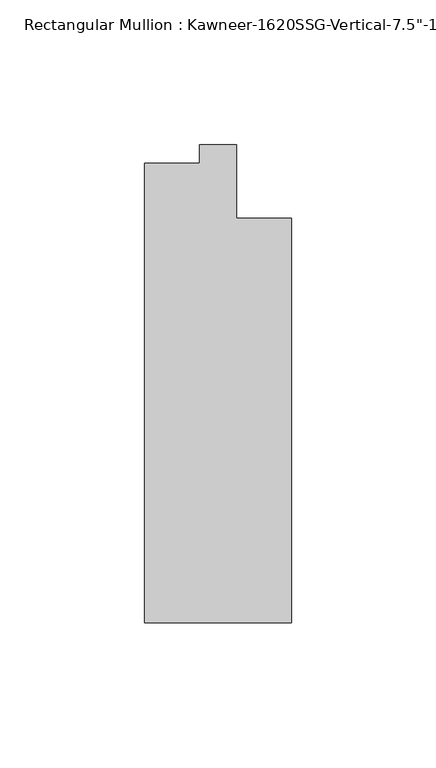
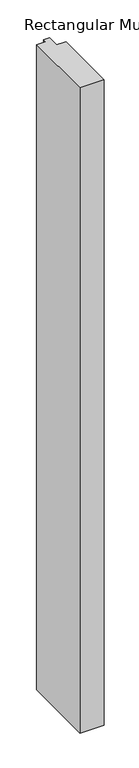
"""IFC4 building model written with IfcOpenShell, lengths in millimetres: member geometry."""

import ifcopenshell
import ifcopenshell.guid

model = None  # the IFC model being written
_history = None  # IfcOwnerHistory: only IFC2X3 demands one
_inside = {}  # id of a spatial element -> (the spatial element, [elements in it])
_under = {}  # id of a project, library or spatial element -> (it, [spatial elements below it])
_declared = {}  # id of a project -> (the project, [libraries it declares])
_typed = {}  # id of a type object -> (the type object, [elements of that type])
_made_of = {}  # id of a material, layer set ... -> (it, [elements and type objects made of it])


def new_model(schema):
    """Start an empty IFC model of exactly this schema.

    Asked for "IFC4X3", IfcOpenShell would pick the latest addendum, in which some entities
    have other attributes; the version numbers below select the first issue.
    IFC2X3 requires an IfcOwnerHistory on every rooted entity: one is made here for all.
    """
    global model, _history
    if schema == "IFC4X3":
        model = ifcopenshell.file(schema_version=(4, 3, 0, 0))
    else:
        model = ifcopenshell.file(schema=schema)
    _inside.clear()
    _under.clear()
    _declared.clear()
    _typed.clear()
    _made_of.clear()
    _history = None
    if model.schema == "IFC2X3":
        org = make("IfcOrganization", Name="unknown")
        user = make(
            "IfcPersonAndOrganization",
            ThePerson=make("IfcPerson", FamilyName="unknown"),
            TheOrganization=org,
        )
        app = make(
            "IfcApplication",
            ApplicationDeveloper=org,
            Version="unknown",
            ApplicationFullName="unknown",
            ApplicationIdentifier="unknown",
        )
        _history = make(
            "IfcOwnerHistory",
            OwningUser=user,
            OwningApplication=app,
            ChangeAction="ADDED",
            CreationDate=0,
        )
    return model


def make(cls, **values):
    """One entity of the class cls with the attributes given. An attribute that is None is left unset."""
    return model.create_entity(
        cls, **{name: value for name, value in values.items() if value is not None}
    )


def rooted(cls, **values):
    """An entity with a GlobalId (a new one), such as an element, a storey or a relation."""
    return make(cls, GlobalId=ifcopenshell.guid.new(), OwnerHistory=_history, **values)


def si_unit(unit_type, name, prefix=None):
    """IfcSIUnit, for example si_unit("LENGTHUNIT", "METRE", prefix="MILLI")."""
    return make("IfcSIUnit", UnitType=unit_type, Prefix=prefix, Name=name)


def assignment(units):
    """IfcUnitAssignment: the units of a project."""
    return None if units is None else make("IfcUnitAssignment", Units=units)


def point(xyz):
    """IfcCartesianPoint."""
    return None if xyz is None else make("IfcCartesianPoint", Coordinates=xyz)


def direction(xyz):
    """IfcDirection."""
    return None if xyz is None else make("IfcDirection", DirectionRatios=xyz)


def frame(location, z_axis=None, x_axis=None):
    """IfcAxis2Placement3D, a coordinate frame: its origin and axes. An axis left out is left unset."""
    return make(
        "IfcAxis2Placement3D",
        Location=point(location),
        Axis=direction(z_axis),
        RefDirection=direction(x_axis),
    )


def origin():
    """The frame at (0, 0, 0) with its axes left unset."""
    return frame((0.0, 0.0, 0.0))


def place(relative_to, where):
    """IfcLocalPlacement: puts the frame where relative to a parent placement (None: the world)."""
    return make(
        "IfcLocalPlacement", PlacementRelTo=relative_to, RelativePlacement=where
    )


def context(
    kind, dimensions, precision=None, world=None, true_north=None, identifier=None
):
    """IfcGeometricRepresentationContext, for example the 3D "Model" context."""
    return make(
        "IfcGeometricRepresentationContext",
        ContextIdentifier=identifier,
        ContextType=kind,
        CoordinateSpaceDimension=dimensions,
        Precision=precision,
        WorldCoordinateSystem=world,
        TrueNorth=true_north,
    )


def project(units=None, contexts=None):
    """IfcProject with its units and contexts."""
    return rooted(
        "IfcProject",
        Name="project",
        RepresentationContexts=contexts,
        UnitsInContext=assignment(units),
    )


def spatial(cls, under=None, at=None, **own):
    """A site, building, storey or space (cls), placed at a placement, below another one or the project."""
    s = rooted(cls, ObjectPlacement=at, **own)
    if under is not None:
        _under.setdefault(under.id(), (under, []))[1].append(s)
    return s


def polyline(points):
    """IfcPolyline through the points."""
    return make("IfcPolyline", Points=[point(p) for p in points])


def outline(outer, holes=None, kind="AREA"):
    """IfcArbitraryClosedProfileDef: a profile drawn as a closed curve; with holes, ...WithVoids."""
    if holes is None:
        return make("IfcArbitraryClosedProfileDef", ProfileType=kind, OuterCurve=outer)
    return make(
        "IfcArbitraryProfileDefWithVoids",
        ProfileType=kind,
        OuterCurve=outer,
        InnerCurves=holes,
    )


def extrude(swept, where, along, depth):
    """IfcExtrudedAreaSolid: the profile swept, set in the frame where, extruded along a direction by depth."""
    return make(
        "IfcExtrudedAreaSolid",
        SweptArea=swept,
        Position=where,
        ExtrudedDirection=direction(along),
        Depth=depth,
    )


def shape(context_of_items, identifier, shape_type, items):
    """IfcShapeRepresentation: the items that make up one representation, for example the "Body"."""
    return make(
        "IfcShapeRepresentation",
        ContextOfItems=context_of_items,
        RepresentationIdentifier=identifier,
        RepresentationType=shape_type,
        Items=items,
    )


def source(mapping_origin, context_of_items, identifier, shape_type, items):
    """IfcRepresentationMap: a shape defined once, which mapped items show again and again."""
    return make(
        "IfcRepresentationMap",
        MappingOrigin=mapping_origin,
        MappedRepresentation=shape(context_of_items, identifier, shape_type, items),
    )


def transform(
    local_origin,
    x_axis=None,
    y_axis=None,
    z_axis=None,
    scale=None,
    scale2=None,
    scale3=None,
    uniform=True,
):
    """IfcCartesianTransformationOperator3D, or its non-uniform kind. x_axis, y_axis, z_axis: its Axis1, 2, 3."""
    if uniform:
        return make(
            "IfcCartesianTransformationOperator3D",
            Axis1=direction(x_axis),
            Axis2=direction(y_axis),
            LocalOrigin=point(local_origin),
            Scale=scale,
            Axis3=direction(z_axis),
        )
    return make(
        "IfcCartesianTransformationOperator3DnonUniform",
        Axis1=direction(x_axis),
        Axis2=direction(y_axis),
        LocalOrigin=point(local_origin),
        Scale=scale,
        Axis3=direction(z_axis),
        Scale2=scale2,
        Scale3=scale3,
    )


def mapped(mapping_source, mapping_target):
    """IfcMappedItem: shows the shape of a source again, moved by a transform."""
    return make(
        "IfcMappedItem", MappingSource=mapping_source, MappingTarget=mapping_target
    )


def made_of(thing, what):
    """Note that an element or type object is made of a material, layer set ...; save() writes the relation."""
    if what is not None:
        _made_of.setdefault(what.id(), (what, []))[1].append(thing)
    return thing


def element(
    cls,
    number,
    at=None,
    inside=None,
    cuts=None,
    type_object=None,
    material=None,
    context=None,
    identifier="Body",
    shape_type=None,
    held_by="IfcProductDefinitionShape",
    body=None,
    shapes=None,
    **own,
):
    """One element of the class cls, such as IfcWall. Its Tag is "e" and its number.

    at: its placement. inside: the storey or other place that contains it. cuts: it is an
    opening in that element (IfcRelVoidsElement). A single representation is given by context,
    identifier, shape_type and body (its items); several are given by shapes. held_by: the class
    of the entity that holds the representations. save() writes the other relations.
    """
    e = rooted(cls, Tag="e%d" % number, ObjectPlacement=at, **own)
    if body is not None:
        shapes = [shape(context, identifier, shape_type, body)]
    if shapes is not None:
        e.Representation = make(held_by, Representations=shapes)
    if inside is not None:
        _inside.setdefault(inside.id(), (inside, []))[1].append(e)
    if cuts is not None:
        rooted(
            "IfcRelVoidsElement", RelatingBuildingElement=cuts, RelatedOpeningElement=e
        )
    if type_object is not None:
        _typed.setdefault(type_object.id(), (type_object, []))[1].append(e)
    return made_of(e, material)


def aggregate(whole, parts):
    """IfcRelAggregates: a whole, such as a stair, and the parts it consists of."""
    return rooted("IfcRelAggregates", RelatingObject=whole, RelatedObjects=parts)


def save(model, path):
    """Write the relations noted so far, then the file.

    IfcRelAggregates (storeys below a building ...), IfcRelContainedInSpatialStructure (elements
    in a storey), IfcRelDefinesByType, IfcRelAssociatesMaterial and IfcRelDeclares: one each for
    every whole, place, type object, material and project.
    """
    for whole, parts in _under.values():
        aggregate(whole, parts)
    for where, things in _inside.values():
        rooted(
            "IfcRelContainedInSpatialStructure",
            RelatedElements=things,
            RelatingStructure=where,
        )
    for kind, things in _typed.values():
        rooted("IfcRelDefinesByType", RelatedObjects=things, RelatingType=kind)
    for what, things in _made_of.values():
        rooted("IfcRelAssociatesMaterial", RelatedObjects=things, RelatingMaterial=what)
    for by, libraries in _declared.values():
        rooted("IfcRelDeclares", RelatingContext=by, RelatedDefinitions=libraries)
    model.write(path)


def member_fda4458f(model_context):
    return source(origin(), model_context, "Body", "SweptSolid", [
        extrude(outline(polyline([(25.4, -161.925), (-25.4, -161.925), (-25.4, -3.175), (-6.35, -3.175), (-6.35, 3.175), (6.35, 3.175), (6.35, -22.225), (25.4, -22.225), (25.4, -161.925)])), frame((0.0, 0.0, -1435.1), z_axis=(0.0, 0.0, 1.0), x_axis=(1.0, 0.0, 0.0)), (0.0, 0.0, 1.0), 1435.1),
    ])


if __name__ == "__main__":
    model = new_model("IFC4")
    model_context = context("Model", 3, world=origin())
    ifc_project = project(units=[si_unit("LENGTHUNIT", "METRE", prefix="MILLI")], contexts=[model_context])
    site = spatial("IfcSite", under=ifc_project)
    building = spatial("IfcBuilding", under=site)
    placement = place(None, origin())
    member_shape = member_fda4458f(model_context)
    element("IfcMember", 1, ObjectType="Rectangular Mullion : Kawneer-1620SSG-Vertical-7.5\"-1/4\"_1\"Infill", at=placement, inside=building, context=model_context, shape_type="MappedRepresentation", body=[
        mapped(member_shape, transform((0.0, 0.0, 0.0), x_axis=(1.0, 0.0, 0.0), y_axis=(0.0, 1.0, 0.0), z_axis=(0.0, 0.0, 1.0))),
    ])
    save(model, "model.ifc")
